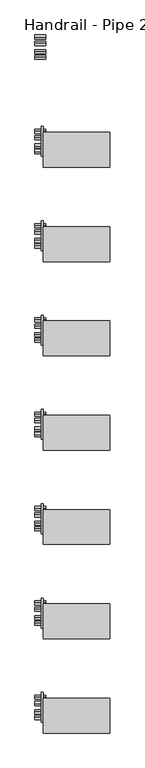
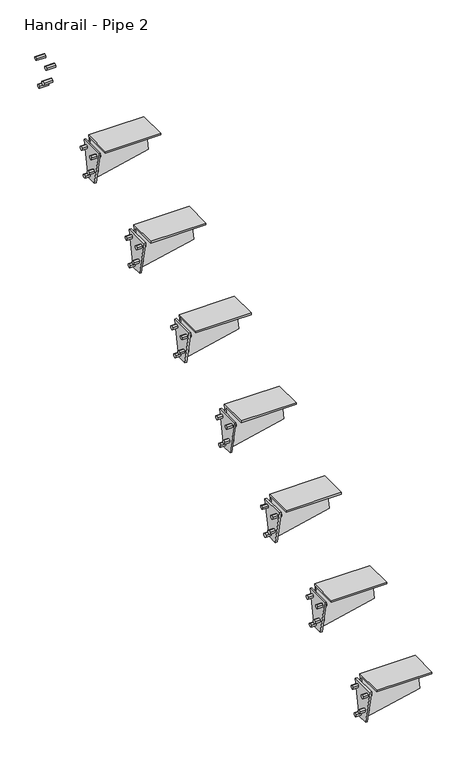
"""IFC4 building model written with IfcOpenShell, lengths in millimetres: railing geometry, Handrail - Pipe 2."""

import ifcopenshell
import ifcopenshell.guid

model = None  # the IFC model being written
_history = None  # IfcOwnerHistory: only IFC2X3 demands one
_inside = {}  # id of a spatial element -> (the spatial element, [elements in it])
_under = {}  # id of a project, library or spatial element -> (it, [spatial elements below it])
_declared = {}  # id of a project -> (the project, [libraries it declares])
_typed = {}  # id of a type object -> (the type object, [elements of that type])
_made_of = {}  # id of a material, layer set ... -> (it, [elements and type objects made of it])


def new_model(schema):
    """Start an empty IFC model of exactly this schema.

    Asked for "IFC4X3", IfcOpenShell would pick the latest addendum, in which some entities
    have other attributes; the version numbers below select the first issue.
    IFC2X3 requires an IfcOwnerHistory on every rooted entity: one is made here for all.
    """
    global model, _history
    if schema == "IFC4X3":
        model = ifcopenshell.file(schema_version=(4, 3, 0, 0))
    else:
        model = ifcopenshell.file(schema=schema)
    _inside.clear()
    _under.clear()
    _declared.clear()
    _typed.clear()
    _made_of.clear()
    _history = None
    if model.schema == "IFC2X3":
        org = make("IfcOrganization", Name="unknown")
        user = make(
            "IfcPersonAndOrganization",
            ThePerson=make("IfcPerson", FamilyName="unknown"),
            TheOrganization=org,
        )
        app = make(
            "IfcApplication",
            ApplicationDeveloper=org,
            Version="unknown",
            ApplicationFullName="unknown",
            ApplicationIdentifier="unknown",
        )
        _history = make(
            "IfcOwnerHistory",
            OwningUser=user,
            OwningApplication=app,
            ChangeAction="ADDED",
            CreationDate=0,
        )
    return model


def make(cls, **values):
    """One entity of the class cls with the attributes given. An attribute that is None is left unset."""
    return model.create_entity(
        cls, **{name: value for name, value in values.items() if value is not None}
    )


def rooted(cls, **values):
    """An entity with a GlobalId (a new one), such as an element, a storey or a relation."""
    return make(cls, GlobalId=ifcopenshell.guid.new(), OwnerHistory=_history, **values)


def si_unit(unit_type, name, prefix=None):
    """IfcSIUnit, for example si_unit("LENGTHUNIT", "METRE", prefix="MILLI")."""
    return make("IfcSIUnit", UnitType=unit_type, Prefix=prefix, Name=name)


def assignment(units):
    """IfcUnitAssignment: the units of a project."""
    return None if units is None else make("IfcUnitAssignment", Units=units)


def point(xyz):
    """IfcCartesianPoint."""
    return None if xyz is None else make("IfcCartesianPoint", Coordinates=xyz)


def direction(xyz):
    """IfcDirection."""
    return None if xyz is None else make("IfcDirection", DirectionRatios=xyz)


def frame(location, z_axis=None, x_axis=None):
    """IfcAxis2Placement3D, a coordinate frame: its origin and axes. An axis left out is left unset."""
    return make(
        "IfcAxis2Placement3D",
        Location=point(location),
        Axis=direction(z_axis),
        RefDirection=direction(x_axis),
    )


def origin():
    """The frame at (0, 0, 0) with its axes left unset."""
    return frame((0.0, 0.0, 0.0))


def place(relative_to, where):
    """IfcLocalPlacement: puts the frame where relative to a parent placement (None: the world)."""
    return make(
        "IfcLocalPlacement", PlacementRelTo=relative_to, RelativePlacement=where
    )


def context(
    kind, dimensions, precision=None, world=None, true_north=None, identifier=None
):
    """IfcGeometricRepresentationContext, for example the 3D "Model" context."""
    return make(
        "IfcGeometricRepresentationContext",
        ContextIdentifier=identifier,
        ContextType=kind,
        CoordinateSpaceDimension=dimensions,
        Precision=precision,
        WorldCoordinateSystem=world,
        TrueNorth=true_north,
    )


def project(units=None, contexts=None):
    """IfcProject with its units and contexts."""
    return rooted(
        "IfcProject",
        Name="project",
        RepresentationContexts=contexts,
        UnitsInContext=assignment(units),
    )


def spatial(cls, under=None, at=None, **own):
    """A site, building, storey or space (cls), placed at a placement, below another one or the project."""
    s = rooted(cls, ObjectPlacement=at, **own)
    if under is not None:
        _under.setdefault(under.id(), (under, []))[1].append(s)
    return s


def polyline(points):
    """IfcPolyline through the points."""
    return make("IfcPolyline", Points=[point(p) for p in points])


def outline(outer, holes=None, kind="AREA"):
    """IfcArbitraryClosedProfileDef: a profile drawn as a closed curve; with holes, ...WithVoids."""
    if holes is None:
        return make("IfcArbitraryClosedProfileDef", ProfileType=kind, OuterCurve=outer)
    return make(
        "IfcArbitraryProfileDefWithVoids",
        ProfileType=kind,
        OuterCurve=outer,
        InnerCurves=holes,
    )


def extrude(swept, where, along, depth):
    """IfcExtrudedAreaSolid: the profile swept, set in the frame where, extruded along a direction by depth."""
    return make(
        "IfcExtrudedAreaSolid",
        SweptArea=swept,
        Position=where,
        ExtrudedDirection=direction(along),
        Depth=depth,
    )


def faces_of(points, faces, orient=None, outer=None):
    """IfcFace entities. A face is a list of loops; a loop is a list of indices into points, from 0.

    orient and outer hold one flag for each loop. By default every Orientation is true, the
    first loop of a face is its IfcFaceOuterBound and the others are IfcFaceBound.
    """
    made = []
    for i, loops in enumerate(faces):
        bounds = []
        for j, loop in enumerate(loops):
            is_outer = j == 0 if outer is None else outer[i][j]
            bounds.append(
                make(
                    "IfcFaceOuterBound" if is_outer else "IfcFaceBound",
                    Bound=make("IfcPolyLoop", Polygon=[points[k] for k in loop]),
                    Orientation=True if orient is None else orient[i][j],
                )
            )
        made.append(make("IfcFace", Bounds=bounds))
    return made


def faceted_brep(points, faces, orient=None, outer=None, voids=None):
    """IfcFacetedBrep: a solid bounded by flat faces; with voids (closed shells), ...WithVoids."""
    shared = [point(p) for p in points]
    hull = make("IfcClosedShell", CfsFaces=faces_of(shared, faces, orient, outer))
    if voids is None:
        return make("IfcFacetedBrep", Outer=hull)
    return make(
        "IfcFacetedBrepWithVoids",
        Outer=hull,
        Voids=[
            make(cls, CfsFaces=faces_of(shared, fs, o, b)) for cls, fs, o, b in voids
        ],
    )


def shape(context_of_items, identifier, shape_type, items):
    """IfcShapeRepresentation: the items that make up one representation, for example the "Body"."""
    return make(
        "IfcShapeRepresentation",
        ContextOfItems=context_of_items,
        RepresentationIdentifier=identifier,
        RepresentationType=shape_type,
        Items=items,
    )


def source(mapping_origin, context_of_items, identifier, shape_type, items):
    """IfcRepresentationMap: a shape defined once, which mapped items show again and again."""
    return make(
        "IfcRepresentationMap",
        MappingOrigin=mapping_origin,
        MappedRepresentation=shape(context_of_items, identifier, shape_type, items),
    )


def transform(
    local_origin,
    x_axis=None,
    y_axis=None,
    z_axis=None,
    scale=None,
    scale2=None,
    scale3=None,
    uniform=True,
):
    """IfcCartesianTransformationOperator3D, or its non-uniform kind. x_axis, y_axis, z_axis: its Axis1, 2, 3."""
    if uniform:
        return make(
            "IfcCartesianTransformationOperator3D",
            Axis1=direction(x_axis),
            Axis2=direction(y_axis),
            LocalOrigin=point(local_origin),
            Scale=scale,
            Axis3=direction(z_axis),
        )
    return make(
        "IfcCartesianTransformationOperator3DnonUniform",
        Axis1=direction(x_axis),
        Axis2=direction(y_axis),
        LocalOrigin=point(local_origin),
        Scale=scale,
        Axis3=direction(z_axis),
        Scale2=scale2,
        Scale3=scale3,
    )


def mapped(mapping_source, mapping_target):
    """IfcMappedItem: shows the shape of a source again, moved by a transform."""
    return make(
        "IfcMappedItem", MappingSource=mapping_source, MappingTarget=mapping_target
    )


def made_of(thing, what):
    """Note that an element or type object is made of a material, layer set ...; save() writes the relation."""
    if what is not None:
        _made_of.setdefault(what.id(), (what, []))[1].append(thing)
    return thing


def element(
    cls,
    number,
    at=None,
    inside=None,
    cuts=None,
    type_object=None,
    material=None,
    context=None,
    identifier="Body",
    shape_type=None,
    held_by="IfcProductDefinitionShape",
    body=None,
    shapes=None,
    **own,
):
    """One element of the class cls, such as IfcWall. Its Tag is "e" and its number.

    at: its placement. inside: the storey or other place that contains it. cuts: it is an
    opening in that element (IfcRelVoidsElement). A single representation is given by context,
    identifier, shape_type and body (its items); several are given by shapes. held_by: the class
    of the entity that holds the representations. save() writes the other relations.
    """
    e = rooted(cls, Tag="e%d" % number, ObjectPlacement=at, **own)
    if body is not None:
        shapes = [shape(context, identifier, shape_type, body)]
    if shapes is not None:
        e.Representation = make(held_by, Representations=shapes)
    if inside is not None:
        _inside.setdefault(inside.id(), (inside, []))[1].append(e)
    if cuts is not None:
        rooted(
            "IfcRelVoidsElement", RelatingBuildingElement=cuts, RelatedOpeningElement=e
        )
    if type_object is not None:
        _typed.setdefault(type_object.id(), (type_object, []))[1].append(e)
    return made_of(e, material)


def aggregate(whole, parts):
    """IfcRelAggregates: a whole, such as a stair, and the parts it consists of."""
    return rooted("IfcRelAggregates", RelatingObject=whole, RelatedObjects=parts)


def save(model, path):
    """Write the relations noted so far, then the file.

    IfcRelAggregates (storeys below a building ...), IfcRelContainedInSpatialStructure (elements
    in a storey), IfcRelDefinesByType, IfcRelAssociatesMaterial and IfcRelDeclares: one each for
    every whole, place, type object, material and project.
    """
    for whole, parts in _under.values():
        aggregate(whole, parts)
    for where, things in _inside.values():
        rooted(
            "IfcRelContainedInSpatialStructure",
            RelatedElements=things,
            RelatingStructure=where,
        )
    for kind, things in _typed.values():
        rooted("IfcRelDefinesByType", RelatedObjects=things, RelatingType=kind)
    for what, things in _made_of.values():
        rooted("IfcRelAssociatesMaterial", RelatedObjects=things, RelatingMaterial=what)
    for by, libraries in _declared.values():
        rooted("IfcRelDeclares", RelatingContext=by, RelatedDefinitions=libraries)
    model.write(path)


def handrail_pipe_2_1e6b644f(model_context):
    return source(origin(), model_context, "Body", "SolidModel", [
        extrude(outline(polyline([(1154.0485528, 1200.0834229), (1160.3985528, 1196.4172487), (1160.3985528, 1189.0849002), (1154.0485528, 1185.418726), (1147.6985528, 1189.0849002), (1147.6985528, 1196.4172487), (1154.0485528, 1200.0834229)])), frame((-6672.2037229, 0.0, 0.0), z_axis=(1.0, 0.0, 0.0), x_axis=(0.0, 1.0, 0.0)), (0.0, 0.0, 1.0), 31.75),
        extrude(outline(polyline([(1172.7286147, 1293.4837322), (1179.0786147, 1289.817558), (1179.0786147, 1282.4852096), (1172.7286147, 1278.8190354), (1166.3786147, 1282.4852096), (1166.3786147, 1289.817558), (1172.7286147, 1293.4837322)])), frame((-6672.2037229, 0.0, 0.0), z_axis=(1.0, 0.0, 0.0), x_axis=(0.0, 1.0, 0.0)), (0.0, 0.0, 1.0), 31.75),
        extrude(outline(polyline([(1129.1368253, 1227.0709229), (1135.4868253, 1223.4047487), (1135.4868253, 1216.0724002), (1129.1368253, 1212.406226), (1122.7868253, 1216.0724002), (1122.7868253, 1223.4047487), (1129.1368253, 1227.0709229)])), frame((-6672.2037229, 0.0, 0.0), z_axis=(1.0, 0.0, 0.0), x_axis=(0.0, 1.0, 0.0)), (0.0, 0.0, 1.0), 31.75),
        extrude(outline(polyline([(1112.8380134, 1293.4837322), (1119.1880134, 1289.817558), (1119.1880134, 1282.4852096), (1112.8380134, 1278.8190354), (1106.4880134, 1282.4852096), (1106.4880134, 1289.817558), (1112.8380134, 1293.4837322)])), frame((-6672.2037229, 0.0, 0.0), z_axis=(1.0, 0.0, 0.0), x_axis=(0.0, 1.0, 0.0)), (0.0, 0.0, 1.0), 31.75),
        extrude(outline(polyline([(818.9333141, 1134.5333333), (907.8333141, 1134.5333333), (882.4333141, 1007.5333333), (844.3333141, 1007.5333333), (818.9333141, 1134.5333333)])), frame((-6653.1537229, 0.0, 0.0), z_axis=(1.0, 0.0, 0.0), x_axis=(0.0, 1.0, 0.0)), (0.0, 0.0, 1.0), 6.35),
        faceted_brep([(-6449.9537229, 890.6883141, 1159.9333333), (-6449.9537229, 787.1833141, 1159.9333333), (-6449.9537229, 787.1833141, 1153.706646), (-6449.9537229, 883.0929766, 1153.706646), (-6449.9537229, 863.0689271, 1053.5863986), (-6449.9537229, 869.4189271, 1053.5863986), (-6646.8037229, 890.6883141, 1159.9333333), (-6646.8037229, 861.9469023, 1016.2262748), (-6646.8037229, 855.5969023, 1016.2262748), (-6646.8037229, 883.0929766, 1153.706646), (-6646.8037229, 787.1833141, 1153.706646), (-6646.8037229, 787.1833141, 1159.9333333)], [[[0, 1, 2, 3, 4, 5]], [[6, 7, 8, 9, 10, 11]], [[6, 11, 1, 0]], [[11, 10, 2, 1]], [[10, 9, 3, 2]], [[9, 8, 4, 3]], [[8, 7, 5, 4]], [[7, 6, 0, 5]]]),
        extrude(outline(polyline([(874.6485528, 1030.7500895), (880.9985528, 1027.0839153), (880.9985528, 1019.7515669), (874.6485528, 1016.0853927), (868.2985528, 1019.7515669), (868.2985528, 1027.0839153), (874.6485528, 1030.7500895)])), frame((-6672.2037229, 0.0, 0.0), z_axis=(1.0, 0.0, 0.0), x_axis=(0.0, 1.0, 0.0)), (0.0, 0.0, 1.0), 31.75),
        extrude(outline(polyline([(893.3286147, 1124.1503989), (899.6786147, 1120.4842247), (899.6786147, 1113.1518763), (893.3286147, 1109.4857021), (886.9786147, 1113.1518763), (886.9786147, 1120.4842247), (893.3286147, 1124.1503989)])), frame((-6672.2037229, 0.0, 0.0), z_axis=(1.0, 0.0, 0.0), x_axis=(0.0, 1.0, 0.0)), (0.0, 0.0, 1.0), 31.75),
        extrude(outline(polyline([(849.7368253, 1057.7375895), (856.0868253, 1054.0714153), (856.0868253, 1046.7390669), (849.7368253, 1043.0728927), (843.3868253, 1046.7390669), (843.3868253, 1054.0714153), (849.7368253, 1057.7375895)])), frame((-6672.2037229, 0.0, 0.0), z_axis=(1.0, 0.0, 0.0), x_axis=(0.0, 1.0, 0.0)), (0.0, 0.0, 1.0), 31.75),
        extrude(outline(polyline([(833.4380134, 1124.1503989), (839.7880134, 1120.4842247), (839.7880134, 1113.1518763), (833.4380134, 1109.4857021), (827.0880134, 1113.1518763), (827.0880134, 1120.4842247), (833.4380134, 1124.1503989)])), frame((-6672.2037229, 0.0, 0.0), z_axis=(1.0, 0.0, 0.0), x_axis=(0.0, 1.0, 0.0)), (0.0, 0.0, 1.0), 31.75),
        extrude(outline(polyline([(539.5333141, 965.2), (628.4333141, 965.2), (603.0333141, 838.2), (564.9333141, 838.2), (539.5333141, 965.2)])), frame((-6653.1537229, 0.0, 0.0), z_axis=(1.0, 0.0, 0.0), x_axis=(0.0, 1.0, 0.0)), (0.0, 0.0, 1.0), 6.35),
        faceted_brep([(-6449.9537229, 611.2883141, 990.6), (-6449.9537229, 507.7833141, 990.6), (-6449.9537229, 507.7833141, 984.3733127), (-6449.9537229, 603.6929766, 984.3733127), (-6449.9537229, 583.6689271, 884.2530652), (-6449.9537229, 590.0189271, 884.2530652), (-6646.8037229, 611.2883141, 990.6), (-6646.8037229, 582.5469023, 846.8929415), (-6646.8037229, 576.1969023, 846.8929415), (-6646.8037229, 603.6929766, 984.3733127), (-6646.8037229, 507.7833141, 984.3733127), (-6646.8037229, 507.7833141, 990.6)], [[[0, 1, 2, 3, 4, 5]], [[6, 7, 8, 9, 10, 11]], [[6, 11, 1, 0]], [[11, 10, 2, 1]], [[10, 9, 3, 2]], [[9, 8, 4, 3]], [[8, 7, 5, 4]], [[7, 6, 0, 5]]]),
        extrude(outline(polyline([(595.2485528, 861.4167562), (601.5985528, 857.750582), (601.5985528, 850.4182336), (595.2485528, 846.7520594), (588.8985528, 850.4182336), (588.8985528, 857.750582), (595.2485528, 861.4167562)])), frame((-6672.2037229, 0.0, 0.0), z_axis=(1.0, 0.0, 0.0), x_axis=(0.0, 1.0, 0.0)), (0.0, 0.0, 1.0), 31.75),
        extrude(outline(polyline([(613.9286147, 954.8170656), (620.2786147, 951.1508913), (620.2786147, 943.8185429), (613.9286147, 940.1523687), (607.5786147, 943.8185429), (607.5786147, 951.1508913), (613.9286147, 954.8170656)])), frame((-6672.2037229, 0.0, 0.0), z_axis=(1.0, 0.0, 0.0), x_axis=(0.0, 1.0, 0.0)), (0.0, 0.0, 1.0), 31.75),
        extrude(outline(polyline([(570.3368253, 888.4042562), (576.6868253, 884.738082), (576.6868253, 877.4057336), (570.3368253, 873.7395594), (563.9868253, 877.4057336), (563.9868253, 884.738082), (570.3368253, 888.4042562)])), frame((-6672.2037229, 0.0, 0.0), z_axis=(1.0, 0.0, 0.0), x_axis=(0.0, 1.0, 0.0)), (0.0, 0.0, 1.0), 31.75),
        extrude(outline(polyline([(554.0380134, 954.8170656), (560.3880134, 951.1508913), (560.3880134, 943.8185429), (554.0380134, 940.1523687), (547.6880134, 943.8185429), (547.6880134, 951.1508913), (554.0380134, 954.8170656)])), frame((-6672.2037229, 0.0, 0.0), z_axis=(1.0, 0.0, 0.0), x_axis=(0.0, 1.0, 0.0)), (0.0, 0.0, 1.0), 31.75),
        extrude(outline(polyline([(260.1333141, 795.8666667), (349.0333141, 795.8666667), (323.6333141, 668.8666667), (285.5333141, 668.8666667), (260.1333141, 795.8666667)])), frame((-6653.1537229, 0.0, 0.0), z_axis=(1.0, 0.0, 0.0), x_axis=(0.0, 1.0, 0.0)), (0.0, 0.0, 1.0), 6.35),
        faceted_brep([(-6449.9537229, 331.8883141, 821.2666667), (-6449.9537229, 228.3833141, 821.2666667), (-6449.9537229, 228.3833141, 815.0399794), (-6449.9537229, 324.2929766, 815.0399794), (-6449.9537229, 304.2689271, 714.9197319), (-6449.9537229, 310.6189271, 714.9197319), (-6646.8037229, 331.8883141, 821.2666667), (-6646.8037229, 303.1469023, 677.5596081), (-6646.8037229, 296.7969023, 677.5596081), (-6646.8037229, 324.2929766, 815.0399794), (-6646.8037229, 228.3833141, 815.0399794), (-6646.8037229, 228.3833141, 821.2666667)], [[[0, 1, 2, 3, 4, 5]], [[6, 7, 8, 9, 10, 11]], [[6, 11, 1, 0]], [[11, 10, 2, 1]], [[10, 9, 3, 2]], [[9, 8, 4, 3]], [[8, 7, 5, 4]], [[7, 6, 0, 5]]]),
        extrude(outline(polyline([(315.8485528, 692.0834229), (322.1985528, 688.4172487), (322.1985528, 681.0849002), (315.8485528, 677.418726), (309.4985528, 681.0849002), (309.4985528, 688.4172487), (315.8485528, 692.0834229)])), frame((-6672.2037229, 0.0, 0.0), z_axis=(1.0, 0.0, 0.0), x_axis=(0.0, 1.0, 0.0)), (0.0, 0.0, 1.0), 31.75),
        extrude(outline(polyline([(334.5286147, 785.4837322), (340.8786147, 781.817558), (340.8786147, 774.4852096), (334.5286147, 770.8190354), (328.1786147, 774.4852096), (328.1786147, 781.817558), (334.5286147, 785.4837322)])), frame((-6672.2037229, 0.0, 0.0), z_axis=(1.0, 0.0, 0.0), x_axis=(0.0, 1.0, 0.0)), (0.0, 0.0, 1.0), 31.75),
        extrude(outline(polyline([(290.9368253, 719.0709229), (297.2868253, 715.4047487), (297.2868253, 708.0724002), (290.9368253, 704.406226), (284.5868253, 708.0724002), (284.5868253, 715.4047487), (290.9368253, 719.0709229)])), frame((-6672.2037229, 0.0, 0.0), z_axis=(1.0, 0.0, 0.0), x_axis=(0.0, 1.0, 0.0)), (0.0, 0.0, 1.0), 31.75),
        extrude(outline(polyline([(274.6380134, 785.4837322), (280.9880134, 781.817558), (280.9880134, 774.4852096), (274.6380134, 770.8190354), (268.2880134, 774.4852096), (268.2880134, 781.817558), (274.6380134, 785.4837322)])), frame((-6672.2037229, 0.0, 0.0), z_axis=(1.0, 0.0, 0.0), x_axis=(0.0, 1.0, 0.0)), (0.0, 0.0, 1.0), 31.75),
        extrude(outline(polyline([(-19.2666859, 626.5333333), (69.6333141, 626.5333333), (44.2333141, 499.5333333), (6.1333141, 499.5333333), (-19.2666859, 626.5333333)])), frame((-6653.1537229, 0.0, 0.0), z_axis=(1.0, 0.0, 0.0), x_axis=(0.0, 1.0, 0.0)), (0.0, 0.0, 1.0), 6.35),
        faceted_brep([(-6449.9537229, 52.4883141, 651.9333333), (-6449.9537229, -51.0166859, 651.9333333), (-6449.9537229, -51.0166859, 645.706646), (-6449.9537229, 44.8929766, 645.706646), (-6449.9537229, 24.8689271, 545.5863986), (-6449.9537229, 31.2189271, 545.5863986), (-6646.8037229, 52.4883141, 651.9333333), (-6646.8037229, 23.7469023, 508.2262748), (-6646.8037229, 17.3969023, 508.2262748), (-6646.8037229, 44.8929766, 645.706646), (-6646.8037229, -51.0166859, 645.706646), (-6646.8037229, -51.0166859, 651.9333333)], [[[0, 1, 2, 3, 4, 5]], [[6, 7, 8, 9, 10, 11]], [[6, 11, 1, 0]], [[11, 10, 2, 1]], [[10, 9, 3, 2]], [[9, 8, 4, 3]], [[8, 7, 5, 4]], [[7, 6, 0, 5]]]),
        extrude(outline(polyline([(36.4485528, 522.7500895), (42.7985528, 519.0839153), (42.7985528, 511.7515669), (36.4485528, 508.0853927), (30.0985528, 511.7515669), (30.0985528, 519.0839153), (36.4485528, 522.7500895)])), frame((-6672.2037229, 0.0, 0.0), z_axis=(1.0, 0.0, 0.0), x_axis=(0.0, 1.0, 0.0)), (0.0, 0.0, 1.0), 31.75),
        extrude(outline(polyline([(55.1286147, 616.1503989), (61.4786147, 612.4842247), (61.4786147, 605.1518763), (55.1286147, 601.4857021), (48.7786147, 605.1518763), (48.7786147, 612.4842247), (55.1286147, 616.1503989)])), frame((-6672.2037229, 0.0, 0.0), z_axis=(1.0, 0.0, 0.0), x_axis=(0.0, 1.0, 0.0)), (0.0, 0.0, 1.0), 31.75),
        extrude(outline(polyline([(11.5368253, 549.7375895), (17.8868253, 546.0714153), (17.8868253, 538.7390669), (11.5368253, 535.0728927), (5.1868253, 538.7390669), (5.1868253, 546.0714153), (11.5368253, 549.7375895)])), frame((-6672.2037229, 0.0, 0.0), z_axis=(1.0, 0.0, 0.0), x_axis=(0.0, 1.0, 0.0)), (0.0, 0.0, 1.0), 31.75),
        extrude(outline(polyline([(-4.7619866, 616.1503989), (1.5880134, 612.4842247), (1.5880134, 605.1518763), (-4.7619866, 601.4857021), (-11.1119866, 605.1518763), (-11.1119866, 612.4842247), (-4.7619866, 616.1503989)])), frame((-6672.2037229, 0.0, 0.0), z_axis=(1.0, 0.0, 0.0), x_axis=(0.0, 1.0, 0.0)), (0.0, 0.0, 1.0), 31.75),
        extrude(outline(polyline([(-298.6666859, 457.2), (-209.7666859, 457.2), (-235.1666859, 330.2), (-273.2666859, 330.2), (-298.6666859, 457.2)])), frame((-6653.1537229, 0.0, 0.0), z_axis=(1.0, 0.0, 0.0), x_axis=(0.0, 1.0, 0.0)), (0.0, 0.0, 1.0), 6.35),
        faceted_brep([(-6449.9537229, -226.9116859, 482.6), (-6449.9537229, -330.4166859, 482.6), (-6449.9537229, -330.4166859, 476.3733127), (-6449.9537229, -234.5070234, 476.3733127), (-6449.9537229, -254.5310729, 376.2530652), (-6449.9537229, -248.1810729, 376.2530652), (-6646.8037229, -226.9116859, 482.6), (-6646.8037229, -255.6530977, 338.8929415), (-6646.8037229, -262.0030977, 338.8929415), (-6646.8037229, -234.5070234, 476.3733127), (-6646.8037229, -330.4166859, 476.3733127), (-6646.8037229, -330.4166859, 482.6)], [[[0, 1, 2, 3, 4, 5]], [[6, 7, 8, 9, 10, 11]], [[6, 11, 1, 0]], [[11, 10, 2, 1]], [[10, 9, 3, 2]], [[9, 8, 4, 3]], [[8, 7, 5, 4]], [[7, 6, 0, 5]]]),
        extrude(outline(polyline([(-242.9514472, 353.4167562), (-236.6014472, 349.750582), (-236.6014472, 342.4182336), (-242.9514472, 338.7520594), (-249.3014472, 342.4182336), (-249.3014472, 349.750582), (-242.9514472, 353.4167562)])), frame((-6672.2037229, 0.0, 0.0), z_axis=(1.0, 0.0, 0.0), x_axis=(0.0, 1.0, 0.0)), (0.0, 0.0, 1.0), 31.75),
        extrude(outline(polyline([(-224.2713853, 446.8170656), (-217.9213853, 443.1508913), (-217.9213853, 435.8185429), (-224.2713853, 432.1523687), (-230.6213853, 435.8185429), (-230.6213853, 443.1508913), (-224.2713853, 446.8170656)])), frame((-6672.2037229, 0.0, 0.0), z_axis=(1.0, 0.0, 0.0), x_axis=(0.0, 1.0, 0.0)), (0.0, 0.0, 1.0), 31.75),
        extrude(outline(polyline([(-267.8631747, 380.4042562), (-261.5131747, 376.738082), (-261.5131747, 369.4057336), (-267.8631747, 365.7395594), (-274.2131747, 369.4057336), (-274.2131747, 376.738082), (-267.8631747, 380.4042562)])), frame((-6672.2037229, 0.0, 0.0), z_axis=(1.0, 0.0, 0.0), x_axis=(0.0, 1.0, 0.0)), (0.0, 0.0, 1.0), 31.75),
        extrude(outline(polyline([(-284.1619866, 446.8170656), (-277.8119866, 443.1508913), (-277.8119866, 435.8185429), (-284.1619866, 432.1523687), (-290.5119866, 435.8185429), (-290.5119866, 443.1508913), (-284.1619866, 446.8170656)])), frame((-6672.2037229, 0.0, 0.0), z_axis=(1.0, 0.0, 0.0), x_axis=(0.0, 1.0, 0.0)), (0.0, 0.0, 1.0), 31.75),
        extrude(outline(polyline([(-578.0666859, 287.8666667), (-489.1666859, 287.8666667), (-514.5666859, 160.8666667), (-552.6666859, 160.8666667), (-578.0666859, 287.8666667)])), frame((-6653.1537229, 0.0, 0.0), z_axis=(1.0, 0.0, 0.0), x_axis=(0.0, 1.0, 0.0)), (0.0, 0.0, 1.0), 6.35),
        faceted_brep([(-6449.9537229, -506.3116859, 313.2666667), (-6449.9537229, -609.8166859, 313.2666667), (-6449.9537229, -609.8166859, 307.0399794), (-6449.9537229, -513.9070234, 307.0399794), (-6449.9537229, -533.9310729, 206.9197319), (-6449.9537229, -527.5810729, 206.9197319), (-6646.8037229, -506.3116859, 313.2666667), (-6646.8037229, -535.0530977, 169.5596081), (-6646.8037229, -541.4030977, 169.5596081), (-6646.8037229, -513.9070234, 307.0399794), (-6646.8037229, -609.8166859, 307.0399794), (-6646.8037229, -609.8166859, 313.2666667)], [[[0, 1, 2, 3, 4, 5]], [[6, 7, 8, 9, 10, 11]], [[6, 11, 1, 0]], [[11, 10, 2, 1]], [[10, 9, 3, 2]], [[9, 8, 4, 3]], [[8, 7, 5, 4]], [[7, 6, 0, 5]]]),
        extrude(outline(polyline([(-522.3514472, 184.0834229), (-516.0014472, 180.4172487), (-516.0014472, 173.0849002), (-522.3514472, 169.418726), (-528.7014472, 173.0849002), (-528.7014472, 180.4172487), (-522.3514472, 184.0834229)])), frame((-6672.2037229, 0.0, 0.0), z_axis=(1.0, 0.0, 0.0), x_axis=(0.0, 1.0, 0.0)), (0.0, 0.0, 1.0), 31.75),
        extrude(outline(polyline([(-503.6713853, 277.4837322), (-497.3213853, 273.817558), (-497.3213853, 266.4852096), (-503.6713853, 262.8190354), (-510.0213853, 266.4852096), (-510.0213853, 273.817558), (-503.6713853, 277.4837322)])), frame((-6672.2037229, 0.0, 0.0), z_axis=(1.0, 0.0, 0.0), x_axis=(0.0, 1.0, 0.0)), (0.0, 0.0, 1.0), 31.75),
        extrude(outline(polyline([(-547.2631747, 211.0709229), (-540.9131747, 207.4047487), (-540.9131747, 200.0724002), (-547.2631747, 196.406226), (-553.6131747, 200.0724002), (-553.6131747, 207.4047487), (-547.2631747, 211.0709229)])), frame((-6672.2037229, 0.0, 0.0), z_axis=(1.0, 0.0, 0.0), x_axis=(0.0, 1.0, 0.0)), (0.0, 0.0, 1.0), 31.75),
        extrude(outline(polyline([(-563.5619866, 277.4837322), (-557.2119866, 273.817558), (-557.2119866, 266.4852096), (-563.5619866, 262.8190354), (-569.9119866, 266.4852096), (-569.9119866, 273.817558), (-563.5619866, 277.4837322)])), frame((-6672.2037229, 0.0, 0.0), z_axis=(1.0, 0.0, 0.0), x_axis=(0.0, 1.0, 0.0)), (0.0, 0.0, 1.0), 31.75),
        extrude(outline(polyline([(-857.4666859, 118.5333333), (-768.5666859, 118.5333333), (-793.9666859, -8.4666667), (-832.0666859, -8.4666667), (-857.4666859, 118.5333333)])), frame((-6653.1537229, 0.0, 0.0), z_axis=(1.0, 0.0, 0.0), x_axis=(0.0, 1.0, 0.0)), (0.0, 0.0, 1.0), 6.35),
        faceted_brep([(-6449.9537229, -785.7116859, 143.9333333), (-6449.9537229, -889.2166859, 143.9333333), (-6449.9537229, -889.2166859, 137.706646), (-6449.9537229, -793.3070234, 137.706646), (-6449.9537229, -813.3310729, 37.5863986), (-6449.9537229, -806.9810729, 37.5863986), (-6646.8037229, -785.7116859, 143.9333333), (-6646.8037229, -814.4530977, 0.2262748), (-6646.8037229, -820.8030977, 0.2262748), (-6646.8037229, -793.3070234, 137.706646), (-6646.8037229, -889.2166859, 137.706646), (-6646.8037229, -889.2166859, 143.9333333)], [[[0, 1, 2, 3, 4, 5]], [[6, 7, 8, 9, 10, 11]], [[6, 11, 1, 0]], [[11, 10, 2, 1]], [[10, 9, 3, 2]], [[9, 8, 4, 3]], [[8, 7, 5, 4]], [[7, 6, 0, 5]]]),
        extrude(outline(polyline([(-801.7514472, 14.7500895), (-795.4014472, 11.0839153), (-795.4014472, 3.7515669), (-801.7514472, 0.0853927), (-808.1014472, 3.7515669), (-808.1014472, 11.0839153), (-801.7514472, 14.7500895)])), frame((-6672.2037229, 0.0, 0.0), z_axis=(1.0, 0.0, 0.0), x_axis=(0.0, 1.0, 0.0)), (0.0, 0.0, 1.0), 31.75),
        extrude(outline(polyline([(-783.0713853, 108.1503989), (-776.7213853, 104.4842247), (-776.7213853, 97.1518763), (-783.0713853, 93.4857021), (-789.4213853, 97.1518763), (-789.4213853, 104.4842247), (-783.0713853, 108.1503989)])), frame((-6672.2037229, 0.0, 0.0), z_axis=(1.0, 0.0, 0.0), x_axis=(0.0, 1.0, 0.0)), (0.0, 0.0, 1.0), 31.75),
        extrude(outline(polyline([(-826.6631747, 41.7375895), (-820.3131747, 38.0714153), (-820.3131747, 30.7390669), (-826.6631747, 27.0728927), (-833.0131747, 30.7390669), (-833.0131747, 38.0714153), (-826.6631747, 41.7375895)])), frame((-6672.2037229, 0.0, 0.0), z_axis=(1.0, 0.0, 0.0), x_axis=(0.0, 1.0, 0.0)), (0.0, 0.0, 1.0), 31.75),
        extrude(outline(polyline([(-842.9619866, 108.1503989), (-836.6119866, 104.4842247), (-836.6119866, 97.1518763), (-842.9619866, 93.4857021), (-849.3119866, 97.1518763), (-849.3119866, 104.4842247), (-842.9619866, 108.1503989)])), frame((-6672.2037229, 0.0, 0.0), z_axis=(1.0, 0.0, 0.0), x_axis=(0.0, 1.0, 0.0)), (0.0, 0.0, 1.0), 31.75),
    ])


if __name__ == "__main__":
    model = new_model("IFC4")
    model_context = context("Model", 3, world=origin())
    ifc_project = project(units=[si_unit("LENGTHUNIT", "METRE", prefix="MILLI")], contexts=[model_context])
    site = spatial("IfcSite", under=ifc_project)
    building = spatial("IfcBuilding", under=site)
    placement = place(None, origin())
    handrail_pipe_2_shape = handrail_pipe_2_1e6b644f(model_context)
    element("IfcRailing", 1, ObjectType="Handrail - Pipe 2", at=placement, inside=building, context=model_context, shape_type="MappedRepresentation", body=[
        mapped(handrail_pipe_2_shape, transform((0.0, 0.0, 0.0), x_axis=(1.0, 0.0, 0.0), y_axis=(0.0, 1.0, 0.0), z_axis=(0.0, 0.0, 1.0))),
    ])
    save(model, "model.ifc")
